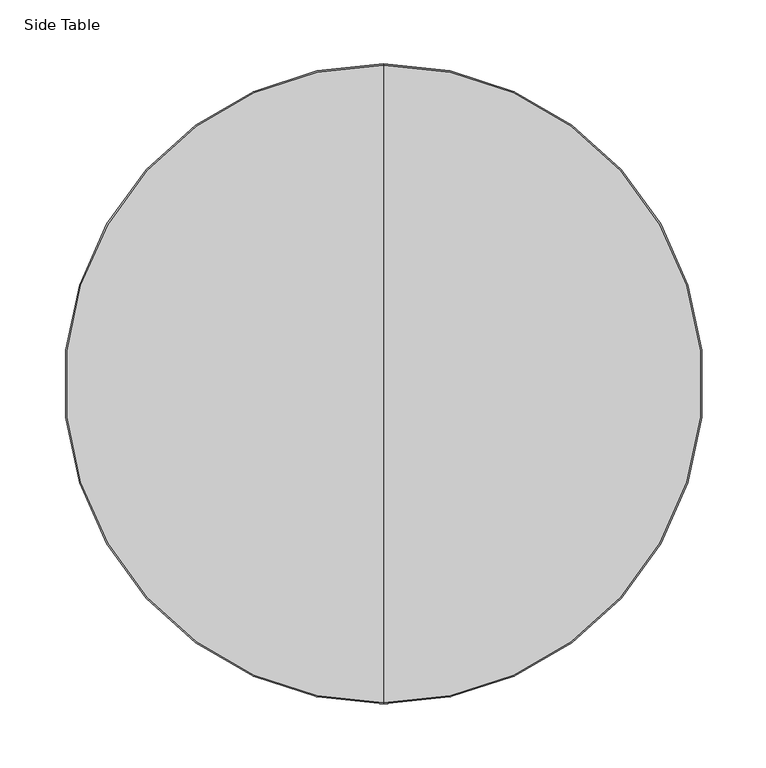
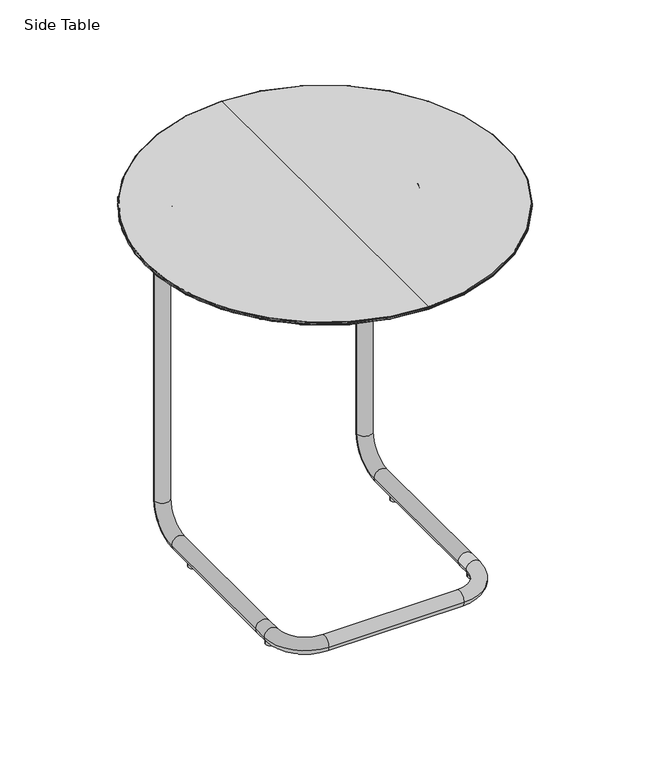
"""IFC4 building model written with IfcOpenShell, lengths in millimetres: furniture geometry, Side Table."""

from ifc_helpers import new_model, si_unit, point, frame, frame_2d, origin, origin_with_axes, place, context, project, spatial, polyline, circle_curve, ellipse_curve, trimmed, segment, composite_curve, outline, extrude, source, transform, mapped, element, save
from ifc_brep_helpers import plane_surface, cylinder_surface, revolved_surface, advanced_brep


def side_table_a3062dde(model_context):
    return source(origin(), model_context, "Body", "SolidModel", [
        advanced_brep(
        [(-361.1339083, 96.831968, 528.9121246), (-361.1339083, 594.7518517, 528.9121246), (-361.1339083, 594.7518517, 525.0836182), (-361.1339083, 96.831968, 525.0836182), (-361.1339083, 345.7919098, 528.9121246), (-361.1339083, 345.7919098, 525.0836182)],
        [
            (0, 1, circle_curve(frame((-361.1339083, 345.7919098, 528.9121246), z_axis=(0.0, 0.0, -1.0), x_axis=(0.0, 1.0, 0.0)), 248.9599419)),
            (1, 2),
            (2, 3, circle_curve(frame((-361.1339083, 345.7919098, 525.0836182), z_axis=(0.0, 0.0, 1.0), x_axis=(0.0, 1.0, 0.0)), 248.9599419)),
            (3, 0),
            (1, 0, circle_curve(frame((-361.1339083, 345.7919098, 528.9121246), z_axis=(0.0, 0.0, -1.0), x_axis=(0.0, 1.0, 0.0)), 248.9599419)),
            (3, 2, circle_curve(frame((-361.1339083, 345.7919098, 525.0836182), z_axis=(0.0, 0.0, 1.0), x_axis=(0.0, 1.0, 0.0)), 248.9599419)),
            (4, 1),
            (0, 4),
            (2, 5),
            (5, 3),
        ],
        [
            cylinder_surface(frame((-361.1339083, 345.7919098, 694.0121246), z_axis=(0.0, 0.0, 1.0), x_axis=(0.0, 1.0, 0.0)), 248.9599419),
            plane_surface(frame((-361.1339083, 345.7919098, 528.9121246), z_axis=(0.0, 0.0, 1.0), x_axis=(0.0, 1.0, 0.0))),
            plane_surface(frame((-361.1339083, 345.7919098, 525.0836182), z_axis=(0.0, 0.0, -1.0), x_axis=(0.0, 1.0, 0.0))),
        ],
        [
            (0, [[1, 2, 3, 4]]),
            (0, [[5, -4, 6, -2]]),
            (1, [[7, -1, 8]]),
            (1, [[-8, -5, -7]]),
            (2, [[-3, 9, 10]]),
            (2, [[-6, -10, -9]]),
        ],
    ),
        advanced_brep(
        [(-361.1339083, 95.7924098, 526.114657), (-361.1339083, 595.7914098, 526.114657), (-361.1339083, 594.7518517, 525.0836182), (-361.1339083, 96.831968, 525.0836182), (-361.1339083, 95.7924098, 527.8811239), (-361.1339083, 595.7914098, 527.8811239), (-361.1339083, 96.831968, 528.9121246), (-361.1339083, 594.7518517, 528.9121246)],
        [
            (0, 1, circle_curve(frame((-361.1339083, 345.7919098, 526.114657), z_axis=(0.0, 0.0, -1.0), x_axis=(0.0, 1.0, 0.0)), 249.9995)),
            (1, 2, circle_curve(frame((-361.1339083, 594.7603361, 526.114657), z_axis=(-1.0, 0.0, 0.0), x_axis=(0.0, 1.0, 0.0)), 1.0310738)),
            (2, 3, circle_curve(frame((-361.1339083, 345.7919098, 525.0836182), z_axis=(0.0, 0.0, 1.0), x_axis=(0.0, 1.0, 0.0)), 248.9599419)),
            (3, 0, circle_curve(frame((-361.1339083, 96.8234836, 526.114657), z_axis=(-1.0, 0.0, 0.0), x_axis=(0.0, -1.0, 0.0)), 1.0310738)),
            (1, 0, circle_curve(frame((-361.1339083, 345.7919098, 526.114657), z_axis=(0.0, 0.0, -1.0), x_axis=(0.0, 1.0, 0.0)), 249.9995)),
            (3, 2, circle_curve(frame((-361.1339083, 345.7919098, 525.0836182), z_axis=(0.0, 0.0, 1.0), x_axis=(0.0, 1.0, 0.0)), 248.9599419)),
            (4, 5, circle_curve(frame((-361.1339083, 345.7919098, 527.8811239), z_axis=(0.0, 0.0, -1.0), x_axis=(0.0, 1.0, 0.0)), 249.9995)),
            (5, 1),
            (0, 4),
            (5, 4, circle_curve(frame((-361.1339083, 345.7919098, 527.8811239), z_axis=(0.0, 0.0, -1.0), x_axis=(0.0, 1.0, 0.0)), 249.9995)),
            (6, 7, circle_curve(frame((-361.1339083, 345.7919098, 528.9121246), z_axis=(0.0, 0.0, -1.0), x_axis=(0.0, 1.0, 0.0)), 248.9599419)),
            (7, 5, circle_curve(frame((-361.1339083, 594.7603739, 527.8811239), z_axis=(-1.0, 0.0, 0.0), x_axis=(0.0, 1.0, 0.0)), 1.0310359)),
            (4, 6, circle_curve(frame((-361.1339083, 96.8234457, 527.8811239), z_axis=(-1.0, 0.0, 0.0), x_axis=(0.0, -1.0, 0.0)), 1.0310359)),
            (7, 6, circle_curve(frame((-361.1339083, 345.7919098, 528.9121246), z_axis=(0.0, 0.0, -1.0), x_axis=(0.0, 1.0, 0.0)), 248.9599419)),
            (2, 7),
            (6, 3),
        ],
        [
            revolved_surface(trimmed(ellipse_curve(frame((-361.1339083, 594.7603361, 526.114657), z_axis=(1.0, 0.0, 0.0), x_axis=(0.0, 1.0, 0.0)), 1.0310738, 1.0310738), [point((-361.1339083, 594.7518517, 525.0836182))], [point((-361.1339083, 595.7914098, 526.114657))], True, "CARTESIAN"), (-361.1339083, 345.7919098, 674.9621246), (0.0, 0.0, 1.0)),
            cylinder_surface(frame((-361.1339083, 345.7919098, 674.9621246), z_axis=(0.0, 0.0, 1.0), x_axis=(0.0, 1.0, 0.0)), 249.9995),
            revolved_surface(trimmed(ellipse_curve(frame((-361.1339083, 594.7603739, 527.8811239), z_axis=(1.0, 0.0, 0.0), x_axis=(0.0, 1.0, 0.0)), 1.0310359, 1.0310359), [point((-361.1339083, 595.7914098, 527.8811239))], [point((-361.1339083, 594.7518517, 528.9121246))], True, "CARTESIAN"), (-361.1339083, 345.7919098, 674.9621246), (0.0, 0.0, 1.0)),
            revolved_surface(polyline([(-361.1339083, 594.7518517, 528.9121246), (-361.1339083, 594.7518517, 525.0836182)]), (-361.1339083, 345.7919098, 674.9621246), (0.0, 0.0, 1.0)),
        ],
        [
            (0, [[1, 2, 3, 4]]),
            (0, [[5, -4, 6, -2]]),
            (1, [[7, 8, -1, 9]]),
            (1, [[10, -9, -5, -8]]),
            (2, [[11, 12, -7, 13]]),
            (2, [[14, -13, -10, -12]]),
            (3, [[-3, 15, -11, 16]]),
            (3, [[-6, -16, -14, -15]]),
        ],
    ),
        extrude(outline(composite_curve([segment(trimmed(circle_curve(frame_2d((-501.6721961, 421.3765313)), 5.8478546), [point((-507.5200507, 421.3765313))], [point((-495.8243415, 421.3765313))], False, "CARTESIAN"), True, "CONTINUOUS"), segment(trimmed(circle_curve(frame_2d((-501.6721961, 421.3765313)), 5.8478546), [point((-495.8243415, 421.3765313))], [point((-507.5200507, 421.3765313))], False, "CARTESIAN"), True, "CONTINUOUS")], self_intersect=False)), origin_with_axes(), (0.0, 0.0, 1.0), 9.8500764),
        extrude(outline(composite_curve([segment(trimmed(circle_curve(frame_2d((-501.6721961, 235.0484063)), 5.8478546), [point((-507.5200507, 235.0484063))], [point((-495.8243415, 235.0484063))], False, "CARTESIAN"), True, "CONTINUOUS"), segment(trimmed(circle_curve(frame_2d((-501.6721961, 235.0484063)), 5.8478546), [point((-495.8243415, 235.0484063))], [point((-507.5200507, 235.0484063))], False, "CARTESIAN"), True, "CONTINUOUS")], self_intersect=False)), origin_with_axes(), (0.0, 0.0, 1.0), 9.8500764),
        extrude(outline(composite_curve([segment(trimmed(circle_curve(frame_2d((-220.5956204, 421.3765313)), 5.8478546), [point((-226.443475, 421.3765313))], [point((-214.7477658, 421.3765313))], False, "CARTESIAN"), True, "CONTINUOUS"), segment(trimmed(circle_curve(frame_2d((-220.5956204, 421.3765313)), 5.8478546), [point((-214.7477658, 421.3765313))], [point((-226.443475, 421.3765313))], False, "CARTESIAN"), True, "CONTINUOUS")], self_intersect=False)), origin_with_axes(), (0.0, 0.0, 1.0), 9.8500764),
        extrude(outline(composite_curve([segment(trimmed(circle_curve(frame_2d((-220.5956204, 235.0484063)), 5.8478546), [point((-226.443475, 235.0484063))], [point((-214.7477658, 235.0484063))], False, "CARTESIAN"), True, "CONTINUOUS"), segment(trimmed(circle_curve(frame_2d((-220.5956204, 235.0484063)), 5.8478546), [point((-214.7477658, 235.0484063))], [point((-226.443475, 235.0484063))], False, "CARTESIAN"), True, "CONTINUOUS")], self_intersect=False)), origin_with_axes(), (0.0, 0.0, 1.0), 9.8500764),
        advanced_brep(
        [(-512.2809236, 250.5294503, 14.9156319), (-512.2809236, 230.841393, 14.9156319), (-491.6434236, 230.841393, 14.9156319), (-491.6434236, 250.5294503, 14.9156319), (-455.1309236, 173.691393, 14.9156319), (-455.1309236, 194.328893, 14.9156319), (-267.1368929, 173.691393, 14.9156319), (-267.1368929, 194.328893, 14.9156319), (-209.9868929, 230.841393, 14.9156319), (-230.6243929, 230.841393, 14.9156319), (-209.9868929, 250.5294503, 14.9156319), (-230.6243929, 250.5294503, 14.9156319), (-512.2809236, 379.4234279, 513.7669434), (-512.2809236, 453.7768334, 513.7669434), (-491.6434236, 453.7768334, 513.7669434), (-491.6434236, 379.4234279, 513.7669434), (-512.2809236, 494.2580834, 473.2856934), (-491.6434236, 494.2580834, 473.2856934), (-512.2809236, 494.2580834, 55.3968819), (-491.6434236, 494.2580834, 55.3968819), (-512.2809236, 453.7768334, 14.9156319), (-491.6434236, 453.7768334, 14.9156319), (-230.6243929, 379.4234279, 513.7669434), (-230.6243929, 453.7768334, 513.7669434), (-209.9868929, 453.7768334, 513.7669434), (-209.9868929, 379.4234279, 513.7669434), (-230.6243929, 494.2580834, 473.2856934), (-209.9868929, 494.2580834, 473.2856934), (-230.6243929, 494.2580834, 55.3968819), (-209.9868929, 494.2580834, 55.3968819), (-230.6243929, 453.7768334, 14.9156319), (-209.9868929, 453.7768334, 14.9156319), (-512.2809236, 353.3853707, 513.7669434), (-491.6434236, 353.3853707, 513.7669434), (-461.4809236, 302.5853707, 513.7669434), (-461.4809236, 323.2228707, 513.7669434), (-260.7868929, 302.5853707, 513.7669434), (-260.7868929, 323.2228707, 513.7669434), (-209.9868929, 353.3853707, 513.7669434), (-230.6243929, 353.3853707, 513.7669434)],
        [
            (0, 1),
            (1, 2, circle_curve(frame((-501.9621736, 230.841393, 14.9156319), z_axis=(0.0, 1.0, 0.0), x_axis=(1.0, 0.0, 0.0)), 10.31875)),
            (2, 3),
            (3, 0, circle_curve(frame((-501.9621736, 250.5294503, 14.9156319), z_axis=(0.0, -1.0, 0.0), x_axis=(1.0, 0.0, 0.0)), 10.31875)),
            (0, 3, circle_curve(frame((-501.9621736, 250.5294503, 14.9156319), z_axis=(0.0, -1.0, 0.0), x_axis=(1.0, 0.0, 0.0)), 10.31875)),
            (2, 1, circle_curve(frame((-501.9621736, 230.841393, 14.9156319), z_axis=(0.0, 1.0, 0.0), x_axis=(1.0, 0.0, 0.0)), 10.31875)),
            (1, 4, circle_curve(frame((-455.1309236, 230.841393, 14.9156319), z_axis=(0.0, 0.0, 1.0), x_axis=(-1.0, 0.0, 0.0)), 57.15)),
            (4, 5, circle_curve(frame((-455.1309236, 184.010143, 14.9156319), z_axis=(-1.0, 0.0, 0.0), x_axis=(0.0, 1.0, 0.0)), 10.31875)),
            (5, 2, circle_curve(frame((-455.1309236, 230.841393, 14.9156319), z_axis=(0.0, 0.0, -1.0), x_axis=(-1.0, 0.0, 0.0)), 36.5125)),
            (5, 4, circle_curve(frame((-455.1309236, 184.010143, 14.9156319), z_axis=(-1.0, 0.0, 0.0), x_axis=(0.0, 1.0, 0.0)), 10.31875)),
            (4, 6),
            (6, 7, circle_curve(frame((-267.1368929, 184.010143, 14.9156319), z_axis=(-1.0, 0.0, 0.0), x_axis=(0.0, 1.0, 0.0)), 10.31875)),
            (7, 5),
            (7, 6, circle_curve(frame((-267.1368929, 184.010143, 14.9156319), z_axis=(-1.0, 0.0, 0.0), x_axis=(0.0, 1.0, 0.0)), 10.31875)),
            (6, 8, circle_curve(frame((-267.1368929, 230.841393, 14.9156319), z_axis=(0.0, 0.0, 1.0), x_axis=(0.0, -1.0, 0.0)), 57.15)),
            (8, 9, circle_curve(frame((-220.3056429, 230.841393, 14.9156319), z_axis=(0.0, -1.0, 0.0), x_axis=(-1.0, 0.0, 0.0)), 10.31875)),
            (9, 7, circle_curve(frame((-267.1368929, 230.841393, 14.9156319), z_axis=(0.0, 0.0, -1.0), x_axis=(0.0, -1.0, 0.0)), 36.5125)),
            (9, 8, circle_curve(frame((-220.3056429, 230.841393, 14.9156319), z_axis=(0.0, -1.0, 0.0), x_axis=(-1.0, 0.0, 0.0)), 10.31875)),
            (8, 10),
            (10, 11, circle_curve(frame((-220.3056429, 250.5294503, 14.9156319), z_axis=(0.0, -1.0, 0.0), x_axis=(-1.0, 0.0, 0.0)), 10.31875)),
            (11, 9),
            (11, 10, circle_curve(frame((-220.3056429, 250.5294503, 14.9156319), z_axis=(0.0, -1.0, 0.0), x_axis=(-1.0, 0.0, 0.0)), 10.31875)),
            (12, 13),
            (13, 14, circle_curve(frame((-501.9621736, 453.7768334, 513.7669434), z_axis=(0.0, -1.0, 0.0), x_axis=(1.0, 0.0, 0.0)), 10.31875)),
            (14, 15),
            (15, 12, circle_curve(frame((-501.9621736, 379.4234279, 513.7669434), z_axis=(0.0, 1.0, 0.0), x_axis=(1.0, 0.0, 0.0)), 10.31875)),
            (12, 15, circle_curve(frame((-501.9621736, 379.4234279, 513.7669434), z_axis=(0.0, 1.0, 0.0), x_axis=(1.0, 0.0, 0.0)), 10.31875)),
            (14, 13, circle_curve(frame((-501.9621736, 453.7768334, 513.7669434), z_axis=(0.0, -1.0, 0.0), x_axis=(1.0, 0.0, 0.0)), 10.31875)),
            (13, 16, circle_curve(frame((-512.2809236, 453.7768334, 473.2856934), z_axis=(-1.0, 0.0, 0.0), x_axis=(0.0, 0.0, 1.0)), 40.48125)),
            (16, 17, circle_curve(frame((-501.9621736, 494.2580834, 473.2856934), z_axis=(0.0, 0.0, 1.0), x_axis=(1.0, 0.0, 0.0)), 10.31875)),
            (17, 14, circle_curve(frame((-491.6434236, 453.7768334, 473.2856934), z_axis=(1.0, 0.0, 0.0), x_axis=(0.0, 0.0, 1.0)), 40.48125)),
            (17, 16, circle_curve(frame((-501.9621736, 494.2580834, 473.2856934), z_axis=(0.0, 0.0, 1.0), x_axis=(1.0, 0.0, 0.0)), 10.31875)),
            (16, 18),
            (18, 19, circle_curve(frame((-501.9621736, 494.2580834, 55.3968819), z_axis=(0.0, 0.0, 1.0), x_axis=(1.0, 0.0, 0.0)), 10.31875)),
            (19, 17),
            (19, 18, circle_curve(frame((-501.9621736, 494.2580834, 55.3968819), z_axis=(0.0, 0.0, 1.0), x_axis=(1.0, 0.0, 0.0)), 10.31875)),
            (18, 20, circle_curve(frame((-512.2809236, 453.7768334, 55.3968819), z_axis=(-1.0, 0.0, 0.0), x_axis=(0.0, 1.0, 0.0)), 40.48125)),
            (20, 21, circle_curve(frame((-501.9621736, 453.7768334, 14.9156319), z_axis=(0.0, 1.0, 0.0), x_axis=(1.0, 0.0, 0.0)), 10.31875)),
            (21, 19, circle_curve(frame((-491.6434236, 453.7768334, 55.3968819), z_axis=(1.0, 0.0, 0.0), x_axis=(0.0, 1.0, 0.0)), 40.48125)),
            (21, 20, circle_curve(frame((-501.9621736, 453.7768334, 14.9156319), z_axis=(0.0, 1.0, 0.0), x_axis=(1.0, 0.0, 0.0)), 10.31875)),
            (20, 0),
            (3, 21),
            (22, 23),
            (23, 24, circle_curve(frame((-220.3056429, 453.7768334, 513.7669434), z_axis=(0.0, -1.0, 0.0), x_axis=(-1.0, 0.0, 0.0)), 10.31875)),
            (24, 25),
            (25, 22, circle_curve(frame((-220.3056429, 379.4234279, 513.7669434), z_axis=(0.0, 1.0, 0.0), x_axis=(-1.0, 0.0, 0.0)), 10.31875)),
            (22, 25, circle_curve(frame((-220.3056429, 379.4234279, 513.7669434), z_axis=(0.0, 1.0, 0.0), x_axis=(-1.0, 0.0, 0.0)), 10.31875)),
            (24, 23, circle_curve(frame((-220.3056429, 453.7768334, 513.7669434), z_axis=(0.0, -1.0, 0.0), x_axis=(-1.0, 0.0, 0.0)), 10.31875)),
            (23, 26, circle_curve(frame((-230.6243929, 453.7768334, 473.2856934), z_axis=(-1.0, 0.0, 0.0), x_axis=(0.0, 0.0, 1.0)), 40.48125)),
            (26, 27, circle_curve(frame((-220.3056429, 494.2580834, 473.2856934), z_axis=(0.0, 0.0, 1.0), x_axis=(-1.0, 0.0, 0.0)), 10.31875)),
            (27, 24, circle_curve(frame((-209.9868929, 453.7768334, 473.2856934), z_axis=(1.0, 0.0, 0.0), x_axis=(0.0, 0.0, 1.0)), 40.48125)),
            (27, 26, circle_curve(frame((-220.3056429, 494.2580834, 473.2856934), z_axis=(0.0, 0.0, 1.0), x_axis=(-1.0, 0.0, 0.0)), 10.31875)),
            (26, 28),
            (28, 29, circle_curve(frame((-220.3056429, 494.2580834, 55.3968819), z_axis=(0.0, 0.0, 1.0), x_axis=(-1.0, 0.0, 0.0)), 10.31875)),
            (29, 27),
            (29, 28, circle_curve(frame((-220.3056429, 494.2580834, 55.3968819), z_axis=(0.0, 0.0, 1.0), x_axis=(-1.0, 0.0, 0.0)), 10.31875)),
            (28, 30, circle_curve(frame((-230.6243929, 453.7768334, 55.3968819), z_axis=(-1.0, 0.0, 0.0), x_axis=(0.0, 1.0, 0.0)), 40.48125)),
            (30, 31, circle_curve(frame((-220.3056429, 453.7768334, 14.9156319), z_axis=(0.0, 1.0, 0.0), x_axis=(-1.0, 0.0, 0.0)), 10.31875)),
            (31, 29, circle_curve(frame((-209.9868929, 453.7768334, 55.3968819), z_axis=(1.0, 0.0, 0.0), x_axis=(0.0, 1.0, 0.0)), 40.48125)),
            (31, 30, circle_curve(frame((-220.3056429, 453.7768334, 14.9156319), z_axis=(0.0, 1.0, 0.0), x_axis=(-1.0, 0.0, 0.0)), 10.31875)),
            (30, 11),
            (10, 31),
            (12, 32),
            (32, 33, circle_curve(frame((-501.9621736, 353.3853707, 513.7669434), z_axis=(0.0, 1.0, 0.0), x_axis=(1.0, 0.0, 0.0)), 10.31875)),
            (33, 15),
            (33, 32, circle_curve(frame((-501.9621736, 353.3853707, 513.7669434), z_axis=(0.0, 1.0, 0.0), x_axis=(1.0, 0.0, 0.0)), 10.31875)),
            (32, 34, circle_curve(frame((-461.4809236, 353.3853707, 513.7669434), z_axis=(0.0, 0.0, 1.0), x_axis=(-1.0, 0.0, 0.0)), 50.8)),
            (34, 35, circle_curve(frame((-461.4809236, 312.9041207, 513.7669434), z_axis=(-1.0, 0.0, 0.0), x_axis=(0.0, 1.0, 0.0)), 10.31875)),
            (35, 33, circle_curve(frame((-461.4809236, 353.3853707, 513.7669434), z_axis=(0.0, 0.0, -1.0), x_axis=(-1.0, 0.0, 0.0)), 30.1625)),
            (35, 34, circle_curve(frame((-461.4809236, 312.9041207, 513.7669434), z_axis=(-1.0, 0.0, 0.0), x_axis=(0.0, 1.0, 0.0)), 10.31875)),
            (34, 36),
            (36, 37, circle_curve(frame((-260.7868929, 312.9041207, 513.7669434), z_axis=(-1.0, 0.0, 0.0), x_axis=(0.0, 1.0, 0.0)), 10.31875)),
            (37, 35),
            (37, 36, circle_curve(frame((-260.7868929, 312.9041207, 513.7669434), z_axis=(-1.0, 0.0, 0.0), x_axis=(0.0, 1.0, 0.0)), 10.31875)),
            (36, 38, circle_curve(frame((-260.7868929, 353.3853707, 513.7669434), z_axis=(0.0, 0.0, 1.0), x_axis=(0.0, -1.0, 0.0)), 50.8)),
            (38, 39, circle_curve(frame((-220.3056429, 353.3853707, 513.7669434), z_axis=(0.0, -1.0, 0.0), x_axis=(-1.0, 0.0, 0.0)), 10.31875)),
            (39, 37, circle_curve(frame((-260.7868929, 353.3853707, 513.7669434), z_axis=(0.0, 0.0, -1.0), x_axis=(0.0, -1.0, 0.0)), 30.1625)),
            (39, 38, circle_curve(frame((-220.3056429, 353.3853707, 513.7669434), z_axis=(0.0, -1.0, 0.0), x_axis=(-1.0, 0.0, 0.0)), 10.31875)),
            (38, 25),
            (22, 39),
        ],
        [
            cylinder_surface(frame((-501.9621736, 250.5294503, 14.9156319), z_axis=(0.0, 1.0, 0.0), x_axis=(1.0, 0.0, 0.0)), 10.31875),
            revolved_surface(trimmed(ellipse_curve(frame((-501.9621736, 230.841393, 14.9156319), z_axis=(0.0, 1.0, 0.0), x_axis=(1.0, 0.0, 0.0)), 10.31875, 10.31875), [point((-512.2809236, 230.841393, 14.9156319))], [point((-491.6434236, 230.841393, 14.9156319))], True, "CARTESIAN"), (-455.1309236, 230.841393, 4.5968819), (0.0, 0.0, 1.0)),
            revolved_surface(trimmed(ellipse_curve(frame((-501.9621736, 230.841393, 14.9156319), z_axis=(0.0, 1.0, 0.0), x_axis=(1.0, 0.0, 0.0)), 10.31875, 10.31875), [point((-491.6434236, 230.841393, 14.9156319))], [point((-512.2809236, 230.841393, 14.9156319))], True, "CARTESIAN"), (-455.1309236, 230.841393, 4.5968819), (0.0, 0.0, 1.0)),
            cylinder_surface(frame((-455.1309236, 184.010143, 14.9156319), z_axis=(-1.0, 0.0, 0.0), x_axis=(0.0, 1.0, 0.0)), 10.31875),
            revolved_surface(trimmed(ellipse_curve(frame((-267.1368929, 184.010143, 14.9156319), z_axis=(-1.0, 0.0, 0.0), x_axis=(0.0, 1.0, 0.0)), 10.31875, 10.31875), [point((-267.1368929, 173.691393, 14.9156319))], [point((-267.1368929, 194.328893, 14.9156319))], True, "CARTESIAN"), (-267.1368929, 230.841393, 4.5968819), (0.0, 0.0, 1.0)),
            revolved_surface(trimmed(ellipse_curve(frame((-267.1368929, 184.010143, 14.9156319), z_axis=(-1.0, 0.0, 0.0), x_axis=(0.0, 1.0, 0.0)), 10.31875, 10.31875), [point((-267.1368929, 194.328893, 14.9156319))], [point((-267.1368929, 173.691393, 14.9156319))], True, "CARTESIAN"), (-267.1368929, 230.841393, 4.5968819), (0.0, 0.0, 1.0)),
            cylinder_surface(frame((-220.3056429, 230.841393, 14.9156319), z_axis=(0.0, -1.0, 0.0), x_axis=(-1.0, 0.0, 0.0)), 10.31875),
            cylinder_surface(frame((-501.9621736, 379.4234279, 513.7669434), z_axis=(0.0, -1.0, 0.0), x_axis=(1.0, 0.0, 0.0)), 10.31875),
            revolved_surface(trimmed(ellipse_curve(frame((-501.9621736, 453.7768334, 513.7669434), z_axis=(0.0, -1.0, 0.0), x_axis=(1.0, 0.0, 0.0)), 10.31875, 10.31875), [point((-512.2809236, 453.7768334, 513.7669434))], [point((-491.6434236, 453.7768334, 513.7669434))], True, "CARTESIAN"), (-501.9621736, 453.7768334, 473.2856934), (-1.0, 0.0, 0.0)),
            revolved_surface(trimmed(ellipse_curve(frame((-501.9621736, 453.7768334, 513.7669434), z_axis=(0.0, -1.0, 0.0), x_axis=(1.0, 0.0, 0.0)), 10.31875, 10.31875), [point((-491.6434236, 453.7768334, 513.7669434))], [point((-512.2809236, 453.7768334, 513.7669434))], True, "CARTESIAN"), (-501.9621736, 453.7768334, 473.2856934), (-1.0, 0.0, 0.0)),
            cylinder_surface(frame((-501.9621736, 494.2580834, 473.2856934), z_axis=(0.0, 0.0, 1.0), x_axis=(1.0, 0.0, 0.0)), 10.31875),
            revolved_surface(trimmed(ellipse_curve(frame((-501.9621736, 494.2580834, 55.3968819), z_axis=(0.0, 0.0, 1.0), x_axis=(1.0, 0.0, 0.0)), 10.31875, 10.31875), [point((-512.2809236, 494.2580834, 55.3968819))], [point((-491.6434236, 494.2580834, 55.3968819))], True, "CARTESIAN"), (-501.9621736, 453.7768334, 55.3968819), (-1.0, 0.0, 0.0)),
            revolved_surface(trimmed(ellipse_curve(frame((-501.9621736, 494.2580834, 55.3968819), z_axis=(0.0, 0.0, 1.0), x_axis=(1.0, 0.0, 0.0)), 10.31875, 10.31875), [point((-491.6434236, 494.2580834, 55.3968819))], [point((-512.2809236, 494.2580834, 55.3968819))], True, "CARTESIAN"), (-501.9621736, 453.7768334, 55.3968819), (-1.0, 0.0, 0.0)),
            cylinder_surface(frame((-501.9621736, 453.7768334, 14.9156319), z_axis=(0.0, 1.0, 0.0), x_axis=(1.0, 0.0, 0.0)), 10.31875),
            cylinder_surface(frame((-220.3056429, 379.4234279, 513.7669434), z_axis=(0.0, -1.0, 0.0), x_axis=(-1.0, 0.0, 0.0)), 10.31875),
            revolved_surface(trimmed(ellipse_curve(frame((-220.3056429, 453.7768334, 513.7669434), z_axis=(0.0, -1.0, 0.0), x_axis=(-1.0, 0.0, 0.0)), 10.31875, 10.31875), [point((-230.6243929, 453.7768334, 513.7669434))], [point((-209.9868929, 453.7768334, 513.7669434))], True, "CARTESIAN"), (-220.3056429, 453.7768334, 473.2856934), (-1.0, 0.0, 0.0)),
            revolved_surface(trimmed(ellipse_curve(frame((-220.3056429, 453.7768334, 513.7669434), z_axis=(0.0, -1.0, 0.0), x_axis=(-1.0, 0.0, 0.0)), 10.31875, 10.31875), [point((-209.9868929, 453.7768334, 513.7669434))], [point((-230.6243929, 453.7768334, 513.7669434))], True, "CARTESIAN"), (-220.3056429, 453.7768334, 473.2856934), (-1.0, 0.0, 0.0)),
            cylinder_surface(frame((-220.3056429, 494.2580834, 473.2856934), z_axis=(0.0, 0.0, 1.0), x_axis=(-1.0, 0.0, 0.0)), 10.31875),
            revolved_surface(trimmed(ellipse_curve(frame((-220.3056429, 494.2580834, 55.3968819), z_axis=(0.0, 0.0, 1.0), x_axis=(-1.0, 0.0, 0.0)), 10.31875, 10.31875), [point((-230.6243929, 494.2580834, 55.3968819))], [point((-209.9868929, 494.2580834, 55.3968819))], True, "CARTESIAN"), (-220.3056429, 453.7768334, 55.3968819), (-1.0, 0.0, 0.0)),
            revolved_surface(trimmed(ellipse_curve(frame((-220.3056429, 494.2580834, 55.3968819), z_axis=(0.0, 0.0, 1.0), x_axis=(-1.0, 0.0, 0.0)), 10.31875, 10.31875), [point((-209.9868929, 494.2580834, 55.3968819))], [point((-230.6243929, 494.2580834, 55.3968819))], True, "CARTESIAN"), (-220.3056429, 453.7768334, 55.3968819), (-1.0, 0.0, 0.0)),
            cylinder_surface(frame((-220.3056429, 453.7768334, 14.9156319), z_axis=(0.0, 1.0, 0.0), x_axis=(-1.0, 0.0, 0.0)), 10.31875),
            cylinder_surface(frame((-501.9621736, 379.4234279, 513.7669434), z_axis=(0.0, 1.0, 0.0), x_axis=(1.0, 0.0, 0.0)), 10.31875),
            revolved_surface(trimmed(ellipse_curve(frame((-501.9621736, 353.3853707, 513.7669434), z_axis=(0.0, 1.0, 0.0), x_axis=(1.0, 0.0, 0.0)), 10.31875, 10.31875), [point((-512.2809236, 353.3853707, 513.7669434))], [point((-491.6434236, 353.3853707, 513.7669434))], True, "CARTESIAN"), (-461.4809236, 353.3853707, 503.4481934), (0.0, 0.0, 1.0)),
            revolved_surface(trimmed(ellipse_curve(frame((-501.9621736, 353.3853707, 513.7669434), z_axis=(0.0, 1.0, 0.0), x_axis=(1.0, 0.0, 0.0)), 10.31875, 10.31875), [point((-491.6434236, 353.3853707, 513.7669434))], [point((-512.2809236, 353.3853707, 513.7669434))], True, "CARTESIAN"), (-461.4809236, 353.3853707, 503.4481934), (0.0, 0.0, 1.0)),
            cylinder_surface(frame((-461.4809236, 312.9041207, 513.7669434), z_axis=(-1.0, 0.0, 0.0), x_axis=(0.0, 1.0, 0.0)), 10.31875),
            revolved_surface(trimmed(ellipse_curve(frame((-260.7868929, 312.9041207, 513.7669434), z_axis=(-1.0, 0.0, 0.0), x_axis=(0.0, 1.0, 0.0)), 10.31875, 10.31875), [point((-260.7868929, 302.5853707, 513.7669434))], [point((-260.7868929, 323.2228707, 513.7669434))], True, "CARTESIAN"), (-260.7868929, 353.3853707, 503.4481934), (0.0, 0.0, 1.0)),
            revolved_surface(trimmed(ellipse_curve(frame((-260.7868929, 312.9041207, 513.7669434), z_axis=(-1.0, 0.0, 0.0), x_axis=(0.0, 1.0, 0.0)), 10.31875, 10.31875), [point((-260.7868929, 323.2228707, 513.7669434))], [point((-260.7868929, 302.5853707, 513.7669434))], True, "CARTESIAN"), (-260.7868929, 353.3853707, 503.4481934), (0.0, 0.0, 1.0)),
            cylinder_surface(frame((-220.3056429, 353.3853707, 513.7669434), z_axis=(0.0, -1.0, 0.0), x_axis=(-1.0, 0.0, 0.0)), 10.31875),
        ],
        [
            (0, [[1, 2, 3, 4]]),
            (0, [[-1, 5, -3, 6]]),
            (1, [[-2, 7, 8, 9]]),
            (2, [[-6, -9, 10, -7]]),
            (3, [[-8, 11, 12, 13]]),
            (3, [[-10, -13, 14, -11]]),
            (4, [[-12, 15, 16, 17]]),
            (5, [[-14, -17, 18, -15]]),
            (6, [[-16, 19, 20, 21]]),
            (6, [[-18, -21, 22, -19]]),
            (7, [[23, 24, 25, 26]]),
            (7, [[-23, 27, -25, 28]]),
            (8, [[-24, 29, 30, 31]]),
            (9, [[-28, -31, 32, -29]]),
            (10, [[-30, 33, 34, 35]]),
            (10, [[-32, -35, 36, -33]]),
            (11, [[-34, 37, 38, 39]]),
            (12, [[-36, -39, 40, -37]]),
            (13, [[-38, 41, -4, 42]]),
            (13, [[-40, -42, -5, -41]]),
            (14, [[43, 44, 45, 46]]),
            (14, [[-43, 47, -45, 48]]),
            (15, [[-44, 49, 50, 51]]),
            (16, [[-48, -51, 52, -49]]),
            (17, [[-50, 53, 54, 55]]),
            (17, [[-52, -55, 56, -53]]),
            (18, [[-54, 57, 58, 59]]),
            (19, [[-56, -59, 60, -57]]),
            (20, [[-58, 61, -20, 62]]),
            (20, [[-60, -62, -22, -61]]),
            (21, [[63, 64, 65, -27]]),
            (21, [[-63, -26, -65, 66]]),
            (22, [[-64, 67, 68, 69]]),
            (23, [[-66, -69, 70, -67]]),
            (24, [[-68, 71, 72, 73]]),
            (24, [[-70, -73, 74, -71]]),
            (25, [[-72, 75, 76, 77]]),
            (26, [[-74, -77, 78, -75]]),
            (27, [[-76, 79, -47, 80]]),
            (27, [[-78, -80, -46, -79]]),
        ],
    ),
    ])


if __name__ == "__main__":
    model = new_model("IFC4")
    model_context = context("Model", 3, world=origin())
    ifc_project = project(units=[si_unit("LENGTHUNIT", "METRE", prefix="MILLI")], contexts=[model_context])
    site = spatial("IfcSite", under=ifc_project)
    building = spatial("IfcBuilding", under=site)
    placement = place(None, origin())
    side_table_shape = side_table_a3062dde(model_context)
    element("IfcFurniture", 1, ObjectType="Side Table", at=placement, inside=building, context=model_context, shape_type="MappedRepresentation", body=[
        mapped(side_table_shape, transform((0.0, 0.0, 0.0), x_axis=(1.0, 0.0, 0.0), y_axis=(0.0, 1.0, 0.0), z_axis=(0.0, 0.0, 1.0))),
    ])
    save(model, "model.ifc")
